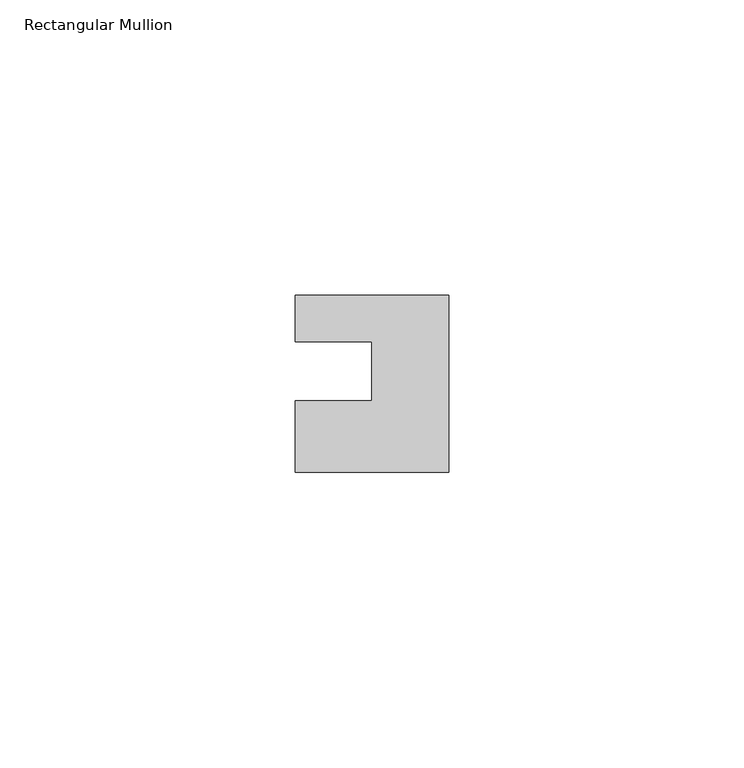
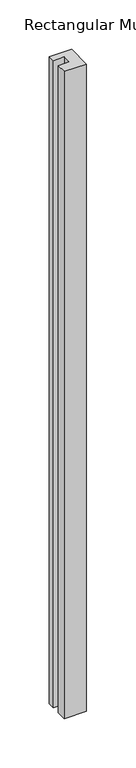
"""IFC4 building model written with IfcOpenShell, lengths in millimetres: member geometry, Rectangular Mullion."""

from ifc_helpers import new_model, si_unit, frame, origin, place, context, project, spatial, polyline, outline, extrude, source, transform, mapped, element, save


def rectangular_mullion_22cb6c7c(model_context):
    return source(origin(), model_context, "Body", "SweptSolid", [
        extrude(outline(polyline([(-26.0, 0.001), (-26.0, 7.94), (0.0, 7.94), (0.0, -22.06), (-26.0, -22.06), (-26.0, -10.0), (-13.0, -10.0), (-13.0, 0.001), (-26.0, 0.001)])), frame((0.0, 0.0, -800.0), z_axis=(0.0, 0.0, 1.0), x_axis=(1.0, 0.0, 0.0)), (0.0, 0.0, 1.0), 800.0),
    ])


if __name__ == "__main__":
    model = new_model("IFC4")
    model_context = context("Model", 3, world=origin())
    ifc_project = project(units=[si_unit("LENGTHUNIT", "METRE", prefix="MILLI")], contexts=[model_context])
    site = spatial("IfcSite", under=ifc_project)
    building = spatial("IfcBuilding", under=site)
    placement = place(None, origin())
    rectangular_mullion_shape = rectangular_mullion_22cb6c7c(model_context)
    element("IfcMember", 1, ObjectType="Rectangular Mullion", at=placement, inside=building, context=model_context, shape_type="MappedRepresentation", body=[
        mapped(rectangular_mullion_shape, transform((0.0, 0.0, 0.0), x_axis=(1.0, 0.0, 0.0), y_axis=(0.0, 1.0, 0.0), z_axis=(0.0, 0.0, 1.0))),
    ])
    save(model, "model.ifc")
